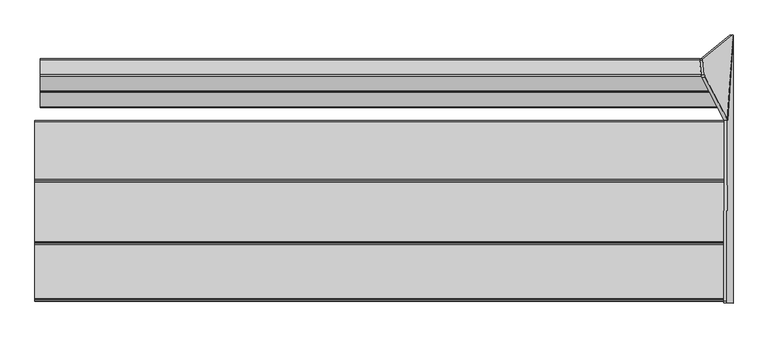
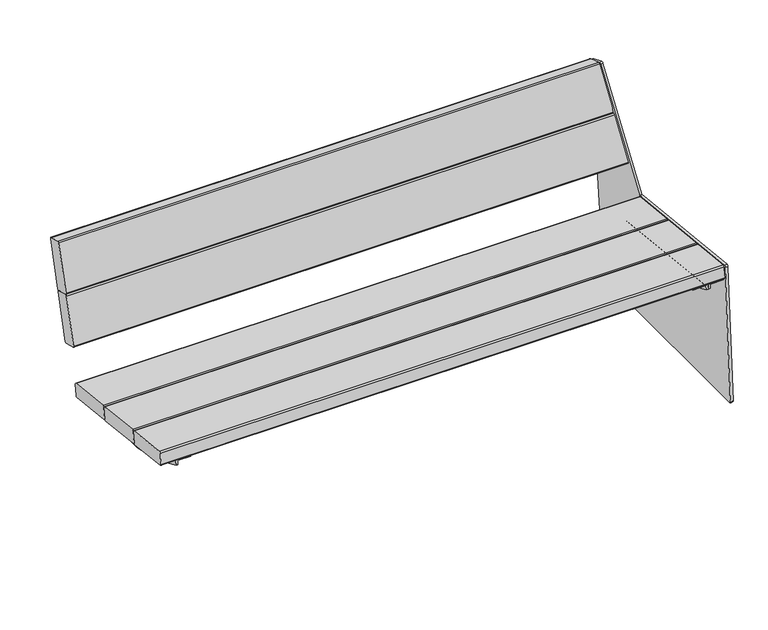
"""IFC4 building model written with IfcOpenShell, lengths in millimetres: furniture geometry."""

from ifc_helpers import new_model, si_unit, point, frame, frame_2d, origin, place, context, project, spatial, polyline, circle_curve, ellipse_curve, trimmed, segment, composite_curve, outline, extrude, source, transform, mapped, element, save
from ifc_brep_helpers import plane_surface, cylinder_surface, revolved_surface, advanced_brep


def furniture_4cf03e5d(model_context):
    return source(origin(), model_context, "Body", "SolidModel", [
        advanced_brep(
        [(766.5577736, -318.9102447, 412.772865), (766.5577736, -319.7193007, 405.3521172), (805.5963377, -319.7193007, 405.3521172), (806.5474184, -319.8223825, 404.4066392), (806.5474184, -321.0984876, 392.7020678), (812.5430123, -321.0984876, 392.7020678), (812.5430123, -319.8564605, 404.0940726), (812.5430123, -319.3437805, 408.7964286), (808.5430123, -318.9102447, 412.772865), (766.5577736, 98.750138, 367.236938), (808.5430123, 98.750138, 367.236938), (812.5430123, 98.3166022, 363.2605016), (812.5430123, 97.8039221, 358.5581456), (812.5430123, 96.5595156, 347.1443157), (806.5474184, 96.5595156, 347.1443157), (806.5474184, 97.8380001, 358.8707122), (805.5963377, 97.941082, 359.8161902), (766.5577736, 97.941082, 359.8161902)],
        [
            (0, 1),
            (1, 2),
            (2, 3, circle_curve(frame((805.5963377, -319.8223825, 404.4066392), z_axis=(0.0, 0.9941091089617909, -0.10838394474826071), x_axis=(0.0, -0.10838394474826071, -0.9941091089617909)), 0.9510807)),
            (3, 4),
            (4, 5),
            (5, 6),
            (6, 7),
            (7, 8, circle_curve(frame((808.5430123, -319.3437805, 408.7964286), z_axis=(0.0, -0.9941091089617909, 0.10838394474826071), x_axis=(0.0, -0.10838394474826071, -0.9941091089617909)), 4.0)),
            (8, 0),
            (9, 10),
            (10, 11, circle_curve(frame((808.5430123, 98.3166022, 363.2605016), z_axis=(0.0, 0.9941091089617909, -0.10838394474826071), x_axis=(0.0, -0.10838394474826071, -0.9941091089617909)), 4.0)),
            (11, 12),
            (12, 13),
            (13, 14),
            (14, 15),
            (15, 16, circle_curve(frame((805.5963377, 97.8380001, 358.8707122), z_axis=(0.0, -0.9941091089617909, 0.10838394474826071), x_axis=(0.0, -0.10838394474826071, -0.9941091089617909)), 0.9510807)),
            (16, 17),
            (17, 9),
            (0, 9),
            (17, 1),
            (16, 2),
            (15, 3),
            (14, 4, circle_curve(frame((806.5474184, -59.7670647, 851.2475639), z_axis=(-1.0, 0.0, 0.0), x_axis=(0.0, -1.0, 0.0)), 527.7860216)),
            (5, 13, circle_curve(frame((812.5430123, -59.7670647, 851.2475639), z_axis=(1.0, 0.0, 0.0), x_axis=(0.0, -1.0, 0.0)), 527.7860216)),
            (12, 6),
            (11, 7),
            (10, 8),
        ],
        [
            plane_surface(frame((766.5577736, -319.8423819, 404.223203), z_axis=(0.0, -0.9941091089617909, 0.10838394474826071), x_axis=(0.0, -0.10838394474826071, -0.9941091089617909))),
            plane_surface(frame((766.5577736, 97.8180007, 358.6872759), z_axis=(0.0, 0.9941091089617909, -0.10838394474826071), x_axis=(0.0, 0.10838394474826071, 0.9941091089617909))),
            plane_surface(frame((766.5577736, -318.9102447, 412.772865), z_axis=(-1.0000000000000002, 0.0, 0.0), x_axis=(0.0, 0.994109108961791, -0.10838394474826066))),
            plane_surface(frame((766.5577736, -319.7193007, 405.3521172), z_axis=(0.0, -0.10838394474826069, -0.994109108961791), x_axis=(0.0, 0.994109108961791, -0.10838394474826069))),
            revolved_surface(polyline([(805.5963377, 97.73491824228601, 357.9252342105562), (805.5963377, -319.92546445485533, 403.46116123677587)]), (805.5963377, 97.8380001, 358.8707122), (0.0, 0.9941091089617909, -0.10838394474826071)),
            plane_surface(frame((806.5474184, -319.8223825, 404.4066392), z_axis=(-1.0000000000000002, 0.0, 0.0), x_axis=(0.0, 0.994109108961791, -0.10838394474826064))),
            plane_surface(frame((812.5430123, -320.2027771, 400.9176199), z_axis=(1.0000000000000002, 0.0, 0.0), x_axis=(0.0, 0.994109108961791, -0.10838394474826066))),
            plane_surface(frame((812.5430123, -319.8564605, 404.0940726), z_axis=(1.0000000000000002, 0.0, 0.0), x_axis=(0.0, 0.994109108961791, -0.10838394474826066))),
            cylinder_surface(frame((808.5430123, 98.3166022, 363.2605016), z_axis=(0.0, -0.9941091089617909, 0.10838394474826071), x_axis=(0.0, -0.10838394474826071, -0.9941091089617909)), 4.0),
            plane_surface(frame((808.5430123, -318.9102447, 412.772865), z_axis=(0.0, 0.10838394474826066, 0.994109108961791), x_axis=(0.0, 0.994109108961791, -0.10838394474826066))),
            cylinder_surface(frame((806.5474184, -59.7670647, 851.2475639), z_axis=(1.0, 0.0, 0.0), x_axis=(0.0, -1.0, 0.0)), 527.7860216),
        ],
        [
            (0, [[1, 2, 3, 4, 5, 6, 7, 8, 9]]),
            (1, [[10, 11, 12, 13, 14, 15, 16, 17, 18]]),
            (2, [[-1, 19, -18, 20]]),
            (3, [[-2, -20, -17, 21]]),
            (4, [[-3, -21, -16, 22]]),
            (5, [[-4, -22, -15, 23]]),
            (6, [[-6, 24, -13, 25]]),
            (7, [[-7, -25, -12, 26]]),
            (8, [[-8, -26, -11, 27]]),
            (9, [[-9, -27, -10, -19]]),
            (10, [[-24, -5, -23, -14]]),
        ],
    ),
        advanced_brep(
        [(813.6175866, 96.5595156, 347.1443157), (813.6175866, -321.0984876, 392.7020678), (813.6175866, -319.360624, 408.6419375), (813.6175866, 98.2997586, 363.1060105), (819.6131806, -321.0984876, 392.7020678), (819.6131806, 96.5595156, 347.1443157), (819.6131806, 97.8380001, 358.8707122), (819.6131806, -319.8223825, 404.4066392), (820.5642613, -319.7193007, 405.3521172), (859.6028254, -319.7193007, 405.3521172), (859.6028254, -318.9270883, 412.6183739), (817.6175866, -318.9270883, 412.6183739), (817.6175866, 98.7332944, 367.0824469), (859.6028254, 98.7332944, 367.0824469), (859.6028254, 97.941082, 359.8161902), (820.5642613, 97.941082, 359.8161902)],
        [
            (0, 1, circle_curve(frame((813.6175866, -59.7670647, 851.2475639), z_axis=(-1.0, 0.0, 0.0), x_axis=(0.0, -1.0, 0.0)), 527.7860216)),
            (1, 2),
            (2, 3),
            (3, 0),
            (4, 5, circle_curve(frame((819.6131806, -59.7670647, 851.2475639), z_axis=(1.0, 0.0, 0.0), x_axis=(0.0, -1.0, 0.0)), 527.7860216)),
            (5, 6),
            (6, 7),
            (7, 4),
            (1, 4),
            (7, 8, circle_curve(frame((820.5642613, -319.8223825, 404.4066392), z_axis=(0.0, 0.9941091089617909, -0.10838394474826071), x_axis=(0.0, -0.10838394474826071, -0.9941091089617909)), 0.9510807)),
            (8, 9),
            (9, 10),
            (10, 11),
            (11, 2, circle_curve(frame((817.6175866, -319.360624, 408.6419375), z_axis=(0.0, -0.9941091089617909, 0.10838394474826071), x_axis=(0.0, -0.10838394474826071, -0.9941091089617909)), 4.0)),
            (0, 5),
            (3, 12, circle_curve(frame((817.6175866, 98.2997586, 363.1060105), z_axis=(0.0, 0.9941091089617909, -0.10838394474826071), x_axis=(0.0, -0.10838394474826071, -0.9941091089617909)), 4.0)),
            (12, 13),
            (13, 14),
            (14, 15),
            (15, 6, circle_curve(frame((820.5642613, 97.8380001, 358.8707122), z_axis=(0.0, -0.9941091089617909, 0.10838394474826071), x_axis=(0.0, -0.10838394474826071, -0.9941091089617909)), 0.9510807)),
            (9, 14),
            (13, 10),
            (8, 15),
            (11, 12),
        ],
        [
            plane_surface(frame((813.6175866, 97.8039221, 358.5581456), z_axis=(-1.0, 0.0, 0.0), x_axis=(0.0, 0.9941091089617913, -0.10838394474825762))),
            plane_surface(frame((819.6131806, 97.8039221, 358.5581456), z_axis=(1.0, 0.0, 0.0), x_axis=(0.0, -0.9941091089617913, 0.10838394474825762))),
            plane_surface(frame((813.6175866, -321.0984876, 392.7020678), z_axis=(0.0, -0.9941091089617909, 0.10838394474826071), x_axis=(1.0, 0.0, 0.0))),
            cylinder_surface(frame((819.6131806, -59.7670647, 851.2475639), z_axis=(-1.0, 0.0, 0.0), x_axis=(0.0, -1.0, 0.0)), 527.7860216),
            plane_surface(frame((813.6175866, 97.8039221, 358.5581456), z_axis=(0.0, 0.9941091089617916, -0.10838394474825458), x_axis=(1.0, 0.0, 0.0))),
            plane_surface(frame((859.6028254, -319.7193007, 405.3521172), z_axis=(1.0000000000000002, 0.0, 0.0), x_axis=(0.0, 0.994109108961791, -0.10838394474826066))),
            plane_surface(frame((820.5642613, -319.7193007, 405.3521172), z_axis=(0.0, -0.10838394474826066, -0.994109108961791), x_axis=(0.0, 0.994109108961791, -0.10838394474826066))),
            revolved_surface(polyline([(820.5642613, 97.73491824228601, 357.9252342105562), (820.5642613, -319.92546445485533, 403.46116123677587)]), (820.5642613, 97.8380001, 358.8707122), (0.0, 0.9941091089617909, -0.10838394474826071)),
            cylinder_surface(frame((817.6175866, 98.2997586, 363.1060105), z_axis=(0.0, -0.9941091089617909, 0.10838394474826071), x_axis=(0.0, -0.10838394474826071, -0.9941091089617909)), 4.0),
            plane_surface(frame((859.6028254, -318.9270883, 412.6183739), z_axis=(0.0, 0.10838394474826066, 0.994109108961791), x_axis=(0.0, 0.994109108961791, -0.10838394474826066))),
        ],
        [
            (0, [[1, 2, 3, 4]]),
            (1, [[5, 6, 7, 8]]),
            (2, [[-2, 9, -8, 10, 11, 12, 13, 14]]),
            (3, [[-1, 15, -5, -9]]),
            (4, [[-6, -15, -4, 16, 17, 18, 19, 20]]),
            (5, [[-12, 21, -18, 22]]),
            (6, [[-11, 23, -19, -21]]),
            (7, [[-10, -7, -20, -23]]),
            (8, [[-14, 24, -16, -3]]),
            (9, [[-13, -22, -17, -24]]),
        ],
    ),
        advanced_brep(
        [(-766.5577736, -318.8898286, 412.9601231), (-808.5430123, -318.8898286, 412.9601231), (-812.5430123, -319.3233644, 408.9836866), (-812.5430123, -319.8564605, 404.0940726), (-812.5430123, -321.0984876, 392.7020678), (-806.5474184, -321.0984876, 392.7020678), (-806.5474184, -319.8223825, 404.4066392), (-805.5963377, -319.7193007, 405.3521172), (-766.5577736, -319.7193007, 405.3521172), (-766.5577736, 98.770554, 367.4241961), (-766.5577736, 97.941082, 359.8161902), (-805.5963377, 97.941082, 359.8161902), (-806.5474184, 97.8380001, 358.8707122), (-806.5474184, 96.5595156, 347.1443157), (-812.5430123, 96.5595156, 347.1443157), (-812.5430123, 97.8039221, 358.5581456), (-812.5430123, 98.3370182, 363.4477596), (-808.5430123, 98.770554, 367.4241961)],
        [
            (0, 1),
            (1, 2, circle_curve(frame((-808.5430123, -319.3233644, 408.9836866), z_axis=(0.0, -0.9941091089617909, 0.10838394474826071), x_axis=(0.0, -0.10838394474826071, -0.9941091089617909)), 4.0)),
            (2, 3),
            (3, 4),
            (4, 5),
            (5, 6),
            (6, 7, circle_curve(frame((-805.5963377, -319.8223825, 404.4066392), z_axis=(0.0, 0.9941091089617909, -0.10838394474826071), x_axis=(0.0, -0.10838394474826071, -0.9941091089617909)), 0.9510807)),
            (7, 8),
            (8, 0),
            (9, 10),
            (10, 11),
            (11, 12, circle_curve(frame((-805.5963377, 97.8380001, 358.8707122), z_axis=(0.0, -0.9941091089617909, 0.10838394474826071), x_axis=(0.0, -0.10838394474826071, -0.9941091089617909)), 0.9510807)),
            (12, 13),
            (13, 14),
            (14, 15),
            (15, 16),
            (16, 17, circle_curve(frame((-808.5430123, 98.3370182, 363.4477596), z_axis=(0.0, 0.9941091089617909, -0.10838394474826071), x_axis=(0.0, -0.10838394474826071, -0.9941091089617909)), 4.0)),
            (17, 9),
            (8, 10),
            (9, 0),
            (7, 11),
            (6, 12),
            (5, 13, circle_curve(frame((-806.5474184, -59.7670647, 851.2475639), z_axis=(1.0, 0.0, 0.0), x_axis=(0.0, -1.0, 0.0)), 527.7860216)),
            (3, 15),
            (14, 4, circle_curve(frame((-812.5430123, -59.7670647, 851.2475639), z_axis=(-1.0, 0.0, 0.0), x_axis=(0.0, -1.0, 0.0)), 527.7860216)),
            (2, 16),
            (1, 17),
        ],
        [
            plane_surface(frame((-812.5430123, -318.8898286, 412.9601231), z_axis=(0.0, -0.9941091089617909, 0.10838394474826071), x_axis=(-1.0, 0.0, 0.0))),
            plane_surface(frame((-812.5430123, 98.770554, 367.4241961), z_axis=(0.0, 0.9941091089617909, -0.10838394474826071), x_axis=(1.0, 0.0, 0.0))),
            plane_surface(frame((-766.5577736, -319.7193007, 405.3521172), z_axis=(1.0000000000000002, 0.0, 0.0), x_axis=(0.0, 0.994109108961791, -0.10838394474826069))),
            plane_surface(frame((-805.5963377, -319.7193007, 405.3521172), z_axis=(0.0, -0.10838394474826069, -0.994109108961791), x_axis=(0.0, 0.994109108961791, -0.10838394474826069))),
            revolved_surface(polyline([(-805.5963377, 97.73491824228601, 357.9252342105562), (-805.5963377, -319.92546445485533, 403.46116123677587)]), (-805.5963377, 97.8380001, 358.8707122), (0.0, 0.9941091089617909, -0.10838394474826071)),
            plane_surface(frame((-806.5474184, -320.2027771, 400.9176199), z_axis=(1.0000000000000002, 0.0, 0.0), x_axis=(0.0, 0.994109108961791, -0.10838394474826066))),
            plane_surface(frame((-812.5430123, -319.8564605, 404.0940726), z_axis=(-1.0000000000000002, 0.0, 0.0), x_axis=(0.0, 0.994109108961791, -0.10838394474826066))),
            plane_surface(frame((-812.5430123, -319.3233644, 408.9836866), z_axis=(-1.0000000000000002, 0.0, 0.0), x_axis=(0.0, 0.994109108961791, -0.10838394474826066))),
            cylinder_surface(frame((-808.5430123, 98.3370182, 363.4477596), z_axis=(0.0, -0.9941091089617909, 0.10838394474826071), x_axis=(0.0, -0.10838394474826071, -0.9941091089617909)), 4.0),
            plane_surface(frame((-766.5577736, -318.8898286, 412.9601231), z_axis=(0.0, 0.10838394474826066, 0.994109108961791), x_axis=(0.0, 0.994109108961791, -0.10838394474826066))),
            cylinder_surface(frame((-806.5474184, -59.7670647, 851.2475639), z_axis=(-1.0, 0.0, 0.0), x_axis=(0.0, -1.0, 0.0)), 527.7860216),
        ],
        [
            (0, [[1, 2, 3, 4, 5, 6, 7, 8, 9]]),
            (1, [[10, 11, 12, 13, 14, 15, 16, 17, 18]]),
            (2, [[-9, 19, -10, 20]]),
            (3, [[-8, 21, -11, -19]]),
            (4, [[-7, 22, -12, -21]]),
            (5, [[-13, -22, -6, 23]]),
            (6, [[-4, 24, -15, 25]]),
            (7, [[-3, 26, -16, -24]]),
            (8, [[-2, 27, -17, -26]]),
            (9, [[-1, -20, -18, -27]]),
            (10, [[-25, -14, -23, -5]]),
        ],
    ),
        advanced_brep(
        [(811.6158149, 233.1863633, 787.1699382), (868.2169692, 124.8996282, 408.9101314), (882.104729, 336.1005897, 11.2206695), (881.4400564, 337.9713039, 14.8944279), (806.7828016, 277.1577, 774.9426086), (806.7918101, 274.3357333, 778.4787482), (810.6337482, 238.1221055, 789.8133119), (803.7395972, 232.080936, 786.3078325), (802.7575305, 237.0166783, 788.9512062), (798.9155925, 273.230306, 777.6166426), (798.906584, 276.0522727, 774.080503), (873.5638388, 336.8658767, 14.0323223), (874.2285114, 334.9951625, 10.3585639), (860.3407516, 123.794201, 408.0480257), (838.5244284, 204.7361248, 503.5754184), (800.8552394, 274.6488012, 758.0771287), (801.7672166, 266.3758239, 760.3532344), (839.4364056, 196.4631475, 505.8515241), (791.810201, 204.6514703, 503.507711), (783.8789303, 206.4556344, 510.1111606), (747.7201407, 272.1297789, 749.187405), (755.6213648, 274.5668293, 758.0115669), (755.6330628, 266.2922205, 760.2863677), (747.7318387, 263.8551701, 751.4622058), (783.8906283, 198.1810256, 512.3859614), (791.821899, 196.3768615, 505.7825119)],
        [
            (0, 1),
            (1, 2),
            (2, 3, circle_curve(frame((882.0221991, 334.025159, 14.6358678), z_axis=(0.9845272064646956, 0.1381784067166262, 0.10776320173453151), x_axis=(0.10809843818608315, 0.005098251508800459, -0.9941271224009949)), 3.9972244)),
            (3, 4),
            (4, 5, circle_curve(frame((807.3653485, 273.2088149, 774.683869), z_axis=(0.9845272064646956, 0.1381784067166262, 0.10776320173453151), x_axis=(0.10809843818608315, 0.005098251508800459, -0.9941271224009949)), 4.0)),
            (5, 6),
            (6, 0, circle_curve(frame((811.2072865, 236.9951872, 786.0184326), z_axis=(0.9845272064646956, 0.1381784067166262, 0.10776320173453151), x_axis=(0.10809843818608315, 0.005098251508800459, -0.9941271224009949)), 4.0)),
            (7, 8, circle_curve(frame((803.3310689, 235.8897599, 785.156327), z_axis=(-0.9845272064646956, -0.1381784067166262, -0.10776320173453151), x_axis=(0.10809843818608315, 0.005098251508800459, -0.9941271224009949)), 4.0)),
            (8, 9),
            (9, 10, circle_curve(frame((799.4891308, 272.1033877, 773.8217633), z_axis=(-0.9845272064646956, -0.1381784067166262, -0.10776320173453151), x_axis=(0.10809843818608315, 0.005098251508800459, -0.9941271224009949)), 4.0)),
            (10, 11),
            (11, 12, circle_curve(frame((874.1459814, 332.9197317, 13.7737622), z_axis=(-0.9845272064646956, -0.1381784067166262, -0.10776320173453151), x_axis=(0.10809843818608315, 0.005098251508800459, -0.9941271224009949)), 3.9972244)),
            (12, 13),
            (13, 7),
            (14, 15),
            (15, 16),
            (16, 17),
            (17, 14),
            (6, 8),
            (7, 0),
            (5, 9),
            (4, 10),
            (3, 11),
            (2, 12),
            (1, 13),
            (18, 19, circle_curve(frame((791.7951777, 206.7720776, 511.2215168), z_axis=(-0.0013631459484884367, 0.9642258427672697, -0.26507860338562145), x_axis=(-0.14431455675225052, 0.2621142782788856, 0.9541852093968657)), 8.0)),
            (19, 20),
            (20, 21, circle_curve(frame((755.6363881, 272.446222, 750.2977612), z_axis=(-0.0013631459484884367, 0.9642258427672697, -0.26507860338562145), x_axis=(-0.14431455675225052, 0.2621142782788856, 0.9541852093968657)), 8.0)),
            (21, 15),
            (14, 18),
            (22, 23, circle_curve(frame((755.6480861, 264.1716132, 752.572562), z_axis=(0.0013631459484884367, -0.9642258427672697, 0.26507860338562145), x_axis=(-0.14431455675225052, 0.2621142782788856, 0.9541852093968657)), 8.0)),
            (23, 24),
            (24, 25, circle_curve(frame((791.8068757, 198.4974688, 513.4963176), z_axis=(0.0013631459484884367, -0.9642258427672697, 0.26507860338562145), x_axis=(-0.14431455675225052, 0.2621142782788856, 0.9541852093968657)), 8.0)),
            (25, 17),
            (16, 22),
            (20, 23),
            (22, 21),
            (19, 24),
            (18, 25),
        ],
        [
            plane_surface(frame((867.9425476, 125.4246391, 410.7440634), z_axis=(0.9845272064646957, 0.13817840671662623, 0.10776320173453155), x_axis=(0.14239106626947698, -0.2724160636486588, -0.9515851367653928))),
            plane_surface(frame((860.06633, 124.3192118, 409.8819577), z_axis=(-0.9845272064646957, -0.13817840671662623, -0.10776320173453155), x_axis=(-0.14239106626947698, 0.2724160636486588, 0.9515851367653928))),
            cylinder_surface(frame((803.3310689, 235.8897599, 785.156327), z_axis=(0.9845272064646956, 0.1381784067166262, 0.10776320173453151), x_axis=(0.10809843818608315, 0.005098251508800459, -0.9941271224009949)), 4.0),
            plane_surface(frame((806.7918101, 274.3357333, 778.4787482), z_axis=(-0.14338459124458663, 0.28172958840366497, 0.9487198206064447), x_axis=(-0.9845272064646949, -0.13817840671662657, -0.10776320173453655))),
            cylinder_surface(frame((799.4891308, 272.1033877, 773.8217633), z_axis=(0.9845272064646956, 0.1381784067166262, 0.10776320173453151), x_axis=(0.10809843818608315, 0.005098251508800459, -0.9941271224009949)), 4.0),
            plane_surface(frame((881.4400564, 337.9713039, 14.8944279), z_axis=(-0.14563671969423442, 0.9872212562883779, 0.06468490557386725), x_axis=(-0.9845272064646956, -0.13817840671662243, -0.10776320173453661))),
            cylinder_surface(frame((874.1459814, 332.9197317, 13.7737622), z_axis=(0.9845272064646956, 0.1381784067166262, 0.10776320173453151), x_axis=(0.10809843818608315, 0.005098251508800459, -0.9941271224009949)), 3.9972244),
            plane_surface(frame((868.2169692, 124.8996282, 408.9101314), z_axis=(0.17249891043919782, -0.8724250405319156, -0.4572949535586142), x_axis=(-0.9845272064646959, -0.1381784067166267, -0.10776320173452819))),
            plane_surface(frame((811.6158149, 233.1863633, 787.1699382), z_axis=(0.10213209083077515, -0.9522059736125492, 0.28787639680792154), x_axis=(-0.9845272064646963, -0.13817840671663098, -0.10776320173451977))),
            plane_surface(frame((804.61599, 274.6556164, 758.0825795), z_axis=(-0.00136314594848843, 0.9642258427672699, -0.26507860338562156), x_axis=(0.9999973076401405, 0.0018121741131798574, 0.001449392098063703))),
            plane_surface(frame((804.627688, 266.3810076, 760.3573804), z_axis=(0.00136314594848843, -0.9642258427672699, 0.26507860338562156), x_axis=(-0.9999973076401405, -0.0018121741131798574, -0.001449392098063703))),
            cylinder_surface(frame((755.6480861, 264.1716132, 752.572562), z_axis=(-0.0013631459484884367, 0.9642258427672697, -0.26507860338562145), x_axis=(-0.14431455675225052, 0.2621142782788856, 0.9541852093968657)), 8.0),
            plane_surface(frame((783.8789303, 206.4556344, 510.1111606), z_axis=(-0.9895309245003535, -0.03955539485440417, -0.13879452509154666), x_axis=(0.001363145948494428, -0.9642258427672704, 0.2650786033856188))),
            cylinder_surface(frame((791.8068757, 198.4974688, 513.4963176), z_axis=(-0.0013631459484884367, 0.9642258427672697, -0.26507860338562145), x_axis=(-0.14431455675225052, 0.2621142782788856, 0.9541852093968657)), 8.0),
            plane_surface(frame((842.2232186, 204.7428277, 503.5807795), z_axis=(0.0018779099002744347, -0.2650759139656611, -0.964225716982116), x_axis=(0.001363145948494428, -0.9642258427672704, 0.2650786033856188))),
            plane_surface(frame((755.6213648, 274.5668293, 758.0115669), z_axis=(-0.0018779099002689853, 0.26507591396566116, 0.9642257169821161), x_axis=(0.001363145948494428, -0.9642258427672704, 0.2650786033856188))),
        ],
        [
            (0, [[1, 2, 3, 4, 5, 6, 7]]),
            (1, [[8, 9, 10, 11, 12, 13, 14], [15, 16, 17, 18]]),
            (2, [[-7, 19, -8, 20]]),
            (3, [[-6, 21, -9, -19]]),
            (4, [[-5, 22, -10, -21]]),
            (5, [[-4, 23, -11, -22]]),
            (6, [[-3, 24, -12, -23]]),
            (7, [[-2, 25, -13, -24]]),
            (8, [[-1, -20, -14, -25]]),
            (9, [[26, 27, 28, 29, -15, 30]]),
            (10, [[31, 32, 33, 34, -17, 35]]),
            (11, [[-28, 36, -31, 37]]),
            (12, [[-27, 38, -32, -36]]),
            (13, [[-26, 39, -33, -38]]),
            (14, [[-39, -30, -18, -34]]),
            (15, [[-37, -35, -16, -29]]),
        ],
    ),
        advanced_brep(
        [(821.0571971, 196.8039984, 647.4081683), (821.0571971, 199.6015159, 642.4914963), (821.0571971, 226.6466791, 635.0618507), (821.0571971, 202.069438, 666.5757995), (-849.4957131, 235.2796318, 632.6902703), (-849.4957131, 199.6015159, 642.4914963), (-849.4957131, 196.8039984, 647.4081683), (-849.4957131, 235.0646195, 786.687229), (-849.4957131, 239.9813274, 789.4847667), (-849.4957131, 275.659435, 779.6835409), (-849.4957131, 278.4569523, 774.7668691), (-849.4957131, 240.1963396, 635.4878082), (819.1088781, 240.1963396, 635.4878082), (820.1051477, 235.2796318, 632.6902703), (798.4939597, 278.4569523, 774.7668691), (798.3484281, 275.659435, 779.6835409), (802.2830401, 239.9813274, 789.4847667), (803.2793097, 235.0646195, 786.687229)],
        [
            (0, 1, circle_curve(frame((821.0571971, 200.661111, 646.3486012), z_axis=(1.0, 0.0, 0.0), x_axis=(0.0, -1.0, 0.0)), 4.0)),
            (1, 2),
            (2, 3),
            (3, 0),
            (4, 5),
            (5, 6, circle_curve(frame((-849.4957131, 200.661111, 646.3486012), z_axis=(-1.0, 0.0, 0.0), x_axis=(0.0, -1.0, 0.0)), 4.0)),
            (6, 7),
            (7, 8, circle_curve(frame((-849.4957131, 238.921732, 785.6276619), z_axis=(-1.0, 0.0, 0.0), x_axis=(0.0, -1.0, 0.0)), 4.0)),
            (8, 9),
            (9, 10, circle_curve(frame((-849.4957131, 274.5998397, 775.8264361), z_axis=(-1.0, 0.0, 0.0), x_axis=(0.0, -1.0, 0.0)), 4.0)),
            (10, 11),
            (11, 4, circle_curve(frame((-849.4957131, 236.3392269, 636.5473752), z_axis=(-1.0, 0.0, 0.0), x_axis=(0.0, -1.0, 0.0)), 4.0)),
            (11, 12),
            (12, 13, ellipse_curve(frame((819.5342471, 236.3392269, 636.5473752), z_axis=(-0.9845272064646966, -0.13817840671662354, -0.10776320173452685), x_axis=(0.17523178858534888, -0.7763454442639476, -0.6054598016712532)), 4.0628639, 4.0)),
            (13, 4),
            (10, 14),
            (14, 12),
            (9, 15),
            (15, 14, ellipse_curve(frame((798.9193287, 274.5998397, 775.8264361), z_axis=(-0.9845272064646966, -0.13817840671662354, -0.10776320173452685), x_axis=(0.17523178858534888, -0.7763454442639476, -0.6054598016712532)), 4.0628639, 4.0)),
            (8, 16),
            (16, 15),
            (7, 17),
            (17, 16, ellipse_curve(frame((802.8539407, 238.921732, 785.6276619), z_axis=(-0.9845272064646966, -0.13817840671662354, -0.10776320173452685), x_axis=(0.17523178858534888, -0.7763454442639476, -0.6054598016712532)), 4.0628639, 4.0)),
            (6, 0),
            (3, 17),
            (5, 1),
            (13, 2),
        ],
        [
            plane_surface(frame((821.0571971, 232.3392269, 636.5473752), z_axis=(1.0, 0.0, 0.0), x_axis=(0.0, 0.0, -1.0))),
            plane_surface(frame((-849.4957131, 232.3392269, 636.5473752), z_axis=(-1.0, 0.0, 0.0), x_axis=(0.0, 0.0, 1.0))),
            cylinder_surface(frame((-849.4957131, 236.3392269, 636.5473752), z_axis=(1.0, 0.0, 0.0), x_axis=(0.0, -1.0, 0.0)), 4.0),
            plane_surface(frame((821.0571971, 240.1963396, 635.4878082), z_axis=(0.0, 0.9642781573688652, -0.2648917424558682), x_axis=(-1.0, 0.0, 0.0))),
            cylinder_surface(frame((-849.4957131, 274.5998397, 775.8264361), z_axis=(1.0, 0.0, 0.0), x_axis=(0.0, -1.0, 0.0)), 4.0),
            plane_surface(frame((821.0571971, 275.659435, 779.6835409), z_axis=(0.0, 0.26489882655000385, 0.9642762113069216), x_axis=(-1.0, 0.0, 0.0))),
            cylinder_surface(frame((-849.4957131, 238.921732, 785.6276619), z_axis=(1.0, 0.0, 0.0), x_axis=(0.0, -1.0, 0.0)), 4.0),
            plane_surface(frame((821.0571971, 235.0646195, 786.687229), z_axis=(0.0, -0.9642781425237718, 0.2648917964960496), x_axis=(-1.0, 0.0, 0.0))),
            cylinder_surface(frame((-849.4957131, 200.661111, 646.3486012), z_axis=(1.0, 0.0, 0.0), x_axis=(0.0, -1.0, 0.0)), 4.0),
            plane_surface(frame((821.0571971, 199.6015159, 642.4914963), z_axis=(0.0, -0.26489877507604603, -0.964276225447465), x_axis=(-1.0, 0.0, 0.0))),
            plane_surface(frame((841.2406356, 210.0994077, 471.8830622), z_axis=(0.9845272064646966, 0.13817840671662354, 0.10776320173452685), x_axis=(0.10213209083076616, -0.9522059736125503, 0.28787639680792054))),
        ],
        [
            (0, [[1, 2, 3, 4]]),
            (1, [[5, 6, 7, 8, 9, 10, 11, 12]]),
            (2, [[-12, 13, 14, 15]]),
            (3, [[-11, 16, 17, -13]]),
            (4, [[-10, 18, 19, -16]]),
            (5, [[-9, 20, 21, -18]]),
            (6, [[-8, 22, 23, -20]]),
            (7, [[-7, 24, -4, 25, -22]]),
            (8, [[-1, -24, -6, 26]]),
            (9, [[-5, -15, 27, -2, -26]]),
            (10, [[-3, -27, -14, -17, -19, -21, -23, -25]]),
        ],
    ),
        advanced_brep(
        [(845.3239935, 156.6568701, 501.2614604), (845.3239935, 159.4543876, 496.3447884), (845.3239935, 162.6024309, 495.4799814), (845.3239935, 157.0311024, 502.6237678), (-849.4957131, 195.1325032, 486.5435624), (-849.4957131, 159.4543876, 496.3447884), (-849.4957131, 156.6568701, 501.2614604), (-849.4957131, 194.6849277, 639.6939268), (-849.4957131, 199.6016355, 642.4914644), (-849.4957131, 235.2797429, 632.6902387), (-849.4957131, 238.0772602, 627.7735669), (-849.4957131, 200.049211, 489.3411004), (840.7402797, 200.049211, 489.3411004), (841.7365493, 195.1325032, 486.5435624), (820.2506671, 238.0772602, 627.7735669), (820.1051355, 235.2797429, 632.6902387), (824.0397475, 199.6016355, 642.4914644), (825.0360171, 194.6849277, 639.6939268)],
        [
            (0, 1, circle_curve(frame((845.3239935, 160.5139827, 500.2018933), z_axis=(1.0, 0.0, 0.0), x_axis=(0.0, -1.0, 0.0)), 4.0)),
            (1, 2),
            (2, 3),
            (3, 0),
            (4, 5),
            (5, 6, circle_curve(frame((-849.4957131, 160.5139827, 500.2018933), z_axis=(-1.0, 0.0, 0.0), x_axis=(0.0, -1.0, 0.0)), 4.0)),
            (6, 7),
            (7, 8, circle_curve(frame((-849.4957131, 198.5420402, 638.6343596), z_axis=(-1.0, 0.0, 0.0), x_axis=(0.0, -1.0, 0.0)), 4.0)),
            (8, 9),
            (9, 10, circle_curve(frame((-849.4957131, 234.2201476, 628.8331339), z_axis=(-1.0, 0.0, 0.0), x_axis=(0.0, -1.0, 0.0)), 4.0)),
            (10, 11),
            (11, 4, circle_curve(frame((-849.4957131, 196.1920983, 490.4006673), z_axis=(-1.0, 0.0, 0.0), x_axis=(0.0, -1.0, 0.0)), 4.0)),
            (11, 12),
            (12, 13, ellipse_curve(frame((841.1656487, 196.1920983, 490.4006673), z_axis=(-0.9845272064646966, -0.13817840671662354, -0.10776320173452685), x_axis=(0.17523178858534888, -0.7763454442639476, -0.6054598016712532)), 4.0628639, 4.0)),
            (13, 4),
            (10, 14),
            (14, 12),
            (9, 15),
            (15, 14, ellipse_curve(frame((820.6760361, 234.2201476, 628.8331339), z_axis=(-0.9845272064646966, -0.13817840671662354, -0.10776320173452685), x_axis=(0.17523178858534888, -0.7763454442639476, -0.6054598016712532)), 4.0628639, 4.0)),
            (8, 16),
            (16, 15),
            (7, 17),
            (17, 16, ellipse_curve(frame((824.6106481, 198.5420402, 638.6343596), z_axis=(-0.9845272064646966, -0.13817840671662354, -0.10776320173452685), x_axis=(0.17523178858534888, -0.7763454442639476, -0.6054598016712532)), 4.0628639, 4.0)),
            (6, 0),
            (3, 17),
            (5, 1),
            (13, 2),
        ],
        [
            plane_surface(frame((845.3239935, 192.1920983, 490.4006673), z_axis=(1.0, 0.0, 0.0), x_axis=(0.0, 0.0, -1.0))),
            plane_surface(frame((-849.4957131, 192.1920983, 490.4006673), z_axis=(-1.0, 0.0, 0.0), x_axis=(0.0, 0.0, 1.0))),
            cylinder_surface(frame((-849.4957131, 196.1920983, 490.4006673), z_axis=(1.0, 0.0, 0.0), x_axis=(0.0, -1.0, 0.0)), 4.0),
            plane_surface(frame((845.3239935, 200.049211, 489.3411004), z_axis=(0.0, 0.9642781573688651, -0.26489174245586855), x_axis=(-1.0, 0.0, 0.0))),
            cylinder_surface(frame((-849.4957131, 234.2201476, 628.8331339), z_axis=(1.0, 0.0, 0.0), x_axis=(0.0, -1.0, 0.0)), 4.0),
            plane_surface(frame((845.3239935, 235.2797429, 632.6902387), z_axis=(0.0, 0.26489882655000657, 0.9642762113069209), x_axis=(-1.0, 0.0, 0.0))),
            cylinder_surface(frame((-849.4957131, 198.5420402, 638.6343596), z_axis=(1.0, 0.0, 0.0), x_axis=(0.0, -1.0, 0.0)), 4.0),
            plane_surface(frame((845.3239935, 194.6849277, 639.6939268), z_axis=(0.0, -0.9642781425237719, 0.2648917964960493), x_axis=(-1.0, 0.0, 0.0))),
            cylinder_surface(frame((-849.4957131, 160.5139827, 500.2018933), z_axis=(1.0, 0.0, 0.0), x_axis=(0.0, -1.0, 0.0)), 4.0),
            plane_surface(frame((845.3239935, 159.4543876, 496.3447884), z_axis=(0.0, -0.2648987750760446, -0.9642762254474654), x_axis=(-1.0, 0.0, 0.0))),
            plane_surface(frame((841.2406356, 210.0994077, 471.8830622), z_axis=(0.9845272064646966, 0.13817840671662354, 0.10776320173452685), x_axis=(0.10213209083076616, -0.9522059736125503, 0.28787639680792054))),
        ],
        [
            (0, [[1, 2, 3, 4]]),
            (1, [[5, 6, 7, 8, 9, 10, 11, 12]]),
            (2, [[-12, 13, 14, 15]]),
            (3, [[-11, 16, 17, -13]]),
            (4, [[-10, 18, 19, -16]]),
            (5, [[-9, 20, 21, -18]]),
            (6, [[-8, 22, 23, -20]]),
            (7, [[-7, 24, -4, 25, -22]]),
            (8, [[-1, -24, -6, 26]]),
            (9, [[-5, -15, 27, -2, -26]]),
            (10, [[-3, -27, -14, -17, -19, -21, -23, -25]]),
        ],
    ),
        advanced_brep(
        [(873.0307512, 303.3438949, 8.0), (874.0654063, 303.3438949, 9.0714168), (874.0331922, 303.3438949, 9.9939083), (882.0283188, 303.3438949, 10.2731042), (882.0283188, 303.3438949, 8.2703475), (874.0907197, 303.3438949, 0.0), (836.3870635, 303.3438949, 0.0), (836.3870635, 303.3438949, 8.0), (873.0307512, 263.3438949, 8.0), (836.3870635, 263.3438949, 8.0), (836.3870635, 263.3438949, 0.0), (874.0907197, 263.3438949, 0.0), (882.0283188, 263.3438949, 8.2703475), (882.0283188, 263.3438949, 10.2731042), (874.0331922, 263.3438949, 9.9939083), (874.0654063, 263.3438949, 9.0714168), (874.0331922, -329.3438949, 9.9939083), (873.8935942, -333.3438949, 13.9914716), (858.5224217, -333.3438949, 454.1642618), (858.3836482, -328.9097929, 458.1382142), (860.1128644, 124.9540587, 408.6199423), (873.9954468, 336.0793859, 11.0747965), (874.0331922, 333.3438949, 9.9939083), (868.107991, 124.9540587, 408.8991383), (866.3787748, -328.9097929, 458.4174101), (866.5175483, -333.3438949, 454.4434578), (881.8887208, -333.3438949, 14.2706676), (882.0283188, -329.3438949, 10.2731042), (882.0283188, 333.3438949, 10.2731042), (881.9905734, 336.0793859, 11.3539925)],
        [
            (0, 1, circle_curve(frame((873.0307512, 303.3438949, 9.0352858), z_axis=(0.0, -1.0, 0.0), x_axis=(-1.0, 0.0, 0.0)), 1.0352858)),
            (1, 2),
            (2, 3),
            (3, 4),
            (4, 5, circle_curve(frame((873.7509968, 303.3438949, 8.2703475), z_axis=(0.0, 1.0, 0.0), x_axis=(-1.0, 0.0, 0.0)), 8.277322)),
            (5, 6),
            (6, 7),
            (7, 0),
            (8, 9),
            (9, 10),
            (10, 11),
            (11, 12, circle_curve(frame((873.7509968, 263.3438949, 8.2703475), z_axis=(0.0, -1.0, 0.0), x_axis=(-1.0, 0.0, 0.0)), 8.277322)),
            (12, 13),
            (13, 14),
            (14, 15),
            (15, 8, circle_curve(frame((873.0307512, 263.3438949, 9.0352858), z_axis=(0.0, 1.0, 0.0), x_axis=(-1.0, 0.0, 0.0)), 1.0352858)),
            (0, 8),
            (15, 1),
            (14, 16),
            (16, 17, circle_curve(frame((873.8935942, -329.3438949, 13.9914716), z_axis=(-0.9993908270190959, 0.0, -0.0348994967025008), x_axis=(0.0348994967025008, 0.0, -0.9993908270190959)), 4.0)),
            (17, 18),
            (18, 19, circle_curve(frame((858.5224217, -329.3438949, 454.1642618), z_axis=(-0.9993908270190959, 0.0, -0.0348994967025008), x_axis=(0.0348994967025008, 0.0, -0.9993908270190959)), 4.0)),
            (19, 20),
            (20, 21),
            (21, 22, circle_curve(frame((873.8935897, 333.3438949, 13.9916002), z_axis=(-0.9993908270190959, 0.0, -0.0348994967025008), x_axis=(0.0348994967025008, 0.0, -0.9993908270190959)), 4.0001287)),
            (22, 2),
            (5, 11),
            (10, 6),
            (9, 7),
            (3, 13),
            (12, 4),
            (23, 24),
            (24, 25, circle_curve(frame((866.5175483, -329.3438949, 454.4434578), z_axis=(0.9993908270190959, 0.0, 0.0348994967025008), x_axis=(0.0348994967025008, 0.0, -0.9993908270190959)), 4.0)),
            (25, 26),
            (26, 27, circle_curve(frame((881.8887208, -329.3438949, 14.2706676), z_axis=(0.9993908270190959, 0.0, 0.0348994967025008), x_axis=(0.0348994967025008, 0.0, -0.9993908270190959)), 4.0)),
            (27, 13),
            (3, 28),
            (28, 29, circle_curve(frame((881.8887163, 333.3438949, 14.2707962), z_axis=(0.9993908270190959, 0.0, 0.0348994967025008), x_axis=(0.0348994967025008, 0.0, -0.9993908270190959)), 4.0001287)),
            (29, 23),
            (29, 21),
            (20, 23),
            (28, 22),
            (27, 16),
            (26, 17),
            (25, 18),
            (24, 19),
        ],
        [
            plane_surface(frame((871.9954653, 303.3438949, 9.0352858), z_axis=(0.0, 1.0, 0.0), x_axis=(0.0, 0.0, -1.0))),
            plane_surface(frame((871.9954653, 263.3438949, 9.0352858), z_axis=(0.0, -1.0, 0.0), x_axis=(0.0, 0.0, 1.0))),
            revolved_surface(polyline([(871.9954654000001, 263.3438949, 9.0352858), (871.9954654000001, 303.3438949, 9.0352858)]), (873.0307512, 263.3438949, 9.0352858), (0.0, -1.0, 0.0)),
            plane_surface(frame((874.0654063, 303.3438949, 9.0714168), z_axis=(-0.9993908270190954, 0.0, -0.034899496702511176), x_axis=(0.0, -1.0, 0.0))),
            plane_surface(frame((874.0907197, 303.3438949, 0.0), z_axis=(0.0, 0.0, -1.0), x_axis=(0.0, -1.0, 0.0))),
            plane_surface(frame((836.3870635, 303.3438949, 0.0), z_axis=(-1.0, 0.0, 0.0), x_axis=(0.0, -1.0, 0.0))),
            plane_surface(frame((836.3870635, 303.3438949, 8.0), z_axis=(0.0, 0.0, 1.0), x_axis=(0.0, -1.0, 0.0))),
            plane_surface(frame((882.0283188, 303.3438949, 10.2731042), z_axis=(1.0, 0.0, 0.0), x_axis=(0.0, -1.0, 0.0))),
            cylinder_surface(frame((873.7509968, 263.3438949, 8.2703475), z_axis=(0.0, 1.0, 0.0), x_axis=(-1.0, 0.0, 0.0)), 8.277322),
            plane_surface(frame((866.3783233, -329.0282995, 458.4303396), z_axis=(0.9993908270190958, 0.0, 0.0348994967025008), x_axis=(-0.003787485651423016, -0.9940936645240769, 0.10845939841955862))),
            plane_surface(frame((881.9905734, 336.0793859, 11.3539925), z_axis=(-0.01636123681982749, 0.8832989769010681, 0.4685245215943901), x_axis=(-0.9993908270190959, 0.0, -0.03489949670249758))),
            cylinder_surface(frame((873.8935897, 333.3438949, 13.9916002), z_axis=(0.9993908270190959, 0.0, 0.0348994967025008), x_axis=(0.0348994967025008, 0.0, -0.9993908270190959)), 4.0001287),
            plane_surface(frame((882.0283188, -329.3438949, 10.2731042), z_axis=(0.03489949670249758, 0.0, -0.9993908270190959), x_axis=(-0.9993908270190959, 0.0, -0.03489949670249758))),
            cylinder_surface(frame((873.8935942, -329.3438949, 13.9914716), z_axis=(0.9993908270190959, 0.0, 0.0348994967025008), x_axis=(0.0348994967025008, 0.0, -0.9993908270190959)), 4.0),
            plane_surface(frame((866.5175483, -333.3438949, 454.4434578), z_axis=(0.0, -1.0, 0.0), x_axis=(-0.9993908270190959, 0.0, -0.03489949670249758))),
            cylinder_surface(frame((858.5224217, -329.3438949, 454.1642618), z_axis=(0.9993908270190959, 0.0, 0.0348994967025008), x_axis=(0.0348994967025008, 0.0, -0.9993908270190959)), 4.0),
            plane_surface(frame((868.107991, 124.9540587, 408.8991383), z_axis=(-0.03469336856704016, 0.10852550922751891, 0.9934880895231605), x_axis=(-0.9993908270190955, 0.0, -0.034899496702506035))),
        ],
        [
            (0, [[1, 2, 3, 4, 5, 6, 7, 8]]),
            (1, [[9, 10, 11, 12, 13, 14, 15, 16]]),
            (2, [[-1, 17, -16, 18]]),
            (3, [[-2, -18, -15, 19, 20, 21, 22, 23, 24, 25, 26]]),
            (4, [[-6, 27, -11, 28]]),
            (5, [[-7, -28, -10, 29]]),
            (6, [[-8, -29, -9, -17]]),
            (7, [[-4, 30, -13, 31]]),
            (8, [[-5, -31, -12, -27]]),
            (9, [[32, 33, 34, 35, 36, -30, 37, 38, 39]]),
            (10, [[-39, 40, -24, 41]]),
            (11, [[-38, 42, -25, -40]]),
            (12, [[-42, -37, -3, -26]]),
            (12, [[43, -19, -14, -36]]),
            (13, [[-35, 44, -20, -43]]),
            (14, [[-34, 45, -21, -44]]),
            (15, [[-33, 46, -22, -45]]),
            (16, [[-32, -41, -23, -46]]),
        ],
    ),
        extrude(outline(composite_curve([segment(polyline([(123.8864292, 402.9372021), (120.1847471, 369.0041334)]), True, "CONTINUOUS"), segment(trimmed(circle_curve(frame_2d((116.2083371, 369.4379111)), 4.0), [point((120.1847471, 369.0041334))], [point((115.7745594, 365.461501))], False, "CARTESIAN"), True, "CONTINUOUS"), segment(polyline([(115.7745594, 365.461501), (-27.3755808, 381.0774276)]), True, "CONTINUOUS"), segment(trimmed(circle_curve(frame_2d((-26.9418032, 385.0538377)), 4.0), [point((-27.3755808, 381.0774276))], [point((-30.9182132, 385.4876153))], False, "CARTESIAN"), True, "CONTINUOUS"), segment(polyline([(-30.9182132, 385.4876153), (-27.2162834, 419.4229549)]), True, "CONTINUOUS"), segment(trimmed(circle_curve(frame_2d((-23.2398734, 418.9891773)), 4.0), [point((-27.2162834, 419.4229549))], [point((-22.8060327, 422.9655805))], False, "CARTESIAN"), True, "CONTINUOUS"), segment(polyline([(-22.8060327, 422.9655805), (120.3438599, 407.3473829)]), True, "CONTINUOUS"), segment(trimmed(circle_curve(frame_2d((119.9100192, 403.3709797)), 4.0), [point((120.3438599, 407.3473829))], [point((123.8864292, 402.9372021))], False, "CARTESIAN"), True, "CONTINUOUS")], self_intersect=False)), frame((-863.110411, 0.0, 0.0), z_axis=(1.0, 0.0, 0.0), x_axis=(0.0, 1.0, 0.0)), (0.0, 0.0, 1.0), 1726.6995595),
        extrude(outline(composite_curve([segment(polyline([(-27.2162697, 419.4230811), (-30.9182058, 385.4876832)]), True, "CONTINUOUS"), segment(trimmed(circle_curve(frame_2d((-34.8946159, 385.9214608)), 4.0), [point((-30.9182058, 385.4876832))], [point((-35.3283935, 381.9450507))], False, "CARTESIAN"), True, "CONTINUOUS"), segment(polyline([(-35.3283935, 381.9450507), (-183.261477, 398.0827379)]), True, "CONTINUOUS"), segment(trimmed(circle_curve(frame_2d((-182.8276994, 402.0591479)), 4.0), [point((-183.261477, 398.0827379))], [point((-186.8041095, 402.4929256))], False, "CARTESIAN"), True, "CONTINUOUS"), segment(polyline([(-186.8041095, 402.4929256), (-183.1019173, 436.4306702)]), True, "CONTINUOUS"), segment(trimmed(circle_curve(frame_2d((-179.1255072, 435.9968926)), 4.0), [point((-183.1019173, 436.4306702))], [point((-178.6916665, 439.9732958))], False, "CARTESIAN"), True, "CONTINUOUS"), segment(polyline([(-178.6916665, 439.9732958), (-30.758839, 423.8332619)]), True, "CONTINUOUS"), segment(trimmed(circle_curve(frame_2d((-31.1926797, 419.8568587)), 4.0), [point((-30.758839, 423.8332619))], [point((-27.2162697, 419.4230811))], False, "CARTESIAN"), True, "CONTINUOUS")], self_intersect=False)), frame((-863.110411, 0.0, 0.0), z_axis=(1.0, 0.0, 0.0), x_axis=(0.0, 1.0, 0.0)), (0.0, 0.0, 1.0), 1726.6995595),
        extrude(outline(composite_curve([segment(polyline([(-183.1019035, 436.4307964), (-186.804098, 402.4930306)]), True, "CONTINUOUS"), segment(trimmed(circle_curve(frame_2d((-190.7805081, 402.9268082)), 4.0), [point((-186.804098, 402.4930306))], [point((-191.2142857, 398.9503981))], False, "CARTESIAN"), True, "CONTINUOUS"), segment(polyline([(-191.2142857, 398.9503981), (-325.6063165, 413.6109223)]), True, "CONTINUOUS"), segment(trimmed(circle_curve(frame_2d((-325.1725389, 417.5873324)), 4.0), [point((-325.6063165, 413.6109223))], [point((-329.148949, 418.02111))], False, "CARTESIAN"), True, "CONTINUOUS"), segment(polyline([(-329.148949, 418.02111), (-325.4465219, 451.9610078)]), True, "CONTINUOUS"), segment(trimmed(circle_curve(frame_2d((-321.4701118, 451.5272302)), 4.0), [point((-325.4465219, 451.9610078))], [point((-321.0362711, 455.5036334))], False, "CARTESIAN"), True, "CONTINUOUS"), segment(polyline([(-321.0362711, 455.5036334), (-186.6444729, 440.8409772)]), True, "CONTINUOUS"), segment(trimmed(circle_curve(frame_2d((-187.0783136, 436.864574)), 4.0), [point((-186.6444729, 440.8409772))], [point((-183.1019035, 436.4307964))], False, "CARTESIAN"), True, "CONTINUOUS")], self_intersect=False)), frame((-863.110411, 0.0, 0.0), z_axis=(1.0, 0.0, 0.0), x_axis=(0.0, 1.0, 0.0)), (0.0, 0.0, 1.0), 1726.6995595),
    ])


if __name__ == "__main__":
    model = new_model("IFC4")
    model_context = context("Model", 3, world=origin())
    ifc_project = project(units=[si_unit("LENGTHUNIT", "METRE", prefix="MILLI")], contexts=[model_context])
    site = spatial("IfcSite", under=ifc_project)
    building = spatial("IfcBuilding", under=site)
    placement = place(None, origin())
    furniture_shape = furniture_4cf03e5d(model_context)
    element("IfcFurniture", 1, at=placement, inside=building, context=model_context, shape_type="MappedRepresentation", body=[
        mapped(furniture_shape, transform((0.0, 0.0, 0.0), x_axis=(1.0, 0.0, 0.0), y_axis=(0.0, 1.0, 0.0), z_axis=(0.0, 0.0, 1.0))),
    ])
    save(model, "model.ifc")
